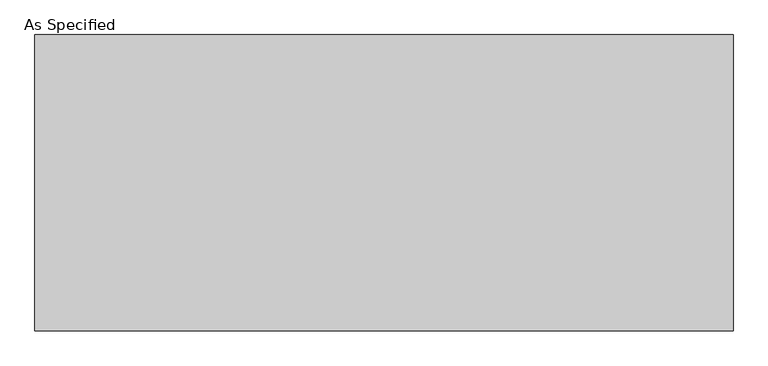
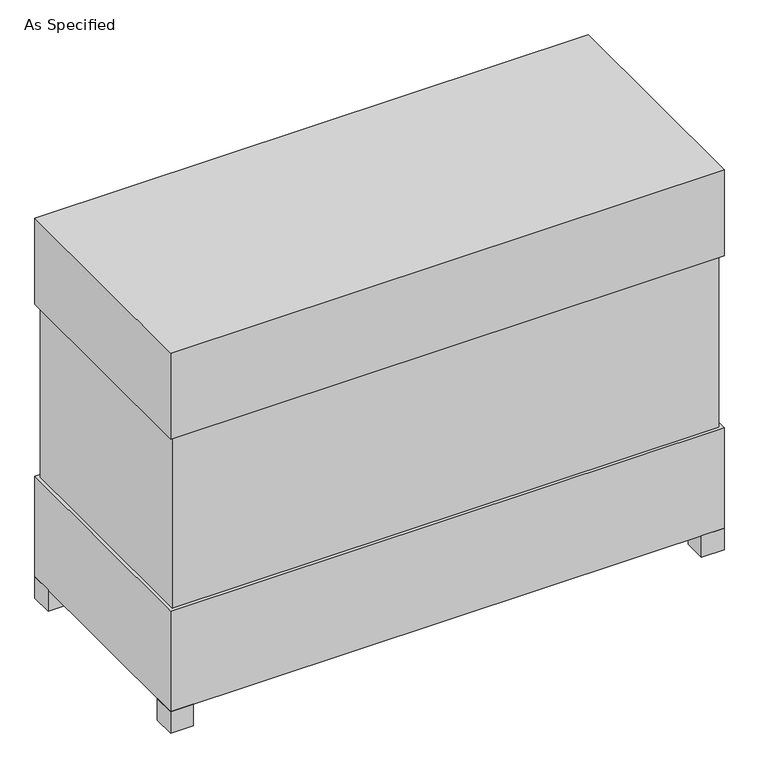
"""IFC4 building model written with IfcOpenShell, lengths in millimetres: proxy geometry, As Specified."""

from ifc_helpers import new_model, si_unit, frame, origin, origin_with_axes, place, context, project, spatial, polyline, outline, extrude, source, transform, mapped, element, save


def as_specified_9cfbd701(model_context):
    return source(origin(), model_context, "Body", "SweptSolid", [
        extrude(outline(polyline([(915.9875, 382.5875), (915.9875, -382.5875), (-915.9875, -382.5875), (-915.9875, 382.5875), (915.9875, 382.5875)])), frame((0.0, 0.0, 431.8), z_axis=(0.0, 0.0, 1.0), x_axis=(1.0, 0.0, 0.0)), (0.0, 0.0, 1.0), 609.6),
        extrude(outline(polyline([(927.1, 393.7), (927.1, -393.7), (-927.1, -393.7), (-927.1, 393.7), (927.1, 393.7)])), frame((0.0, 0.0, 1041.4), z_axis=(0.0, 0.0, 1.0), x_axis=(1.0, 0.0, 0.0)), (0.0, 0.0, 1.0), 304.8),
        extrude(outline(polyline([(812.8, 228.6), (812.8, 152.4), (736.6, 152.4), (736.6, 228.6), (812.8, 228.6)])), frame((0.0, 0.0, 50.8), z_axis=(0.0, 0.0, 1.0), x_axis=(1.0, 0.0, 0.0)), (0.0, 0.0, 1.0), 25.4),
        extrude(outline(polyline([(812.8, -228.6), (736.6, -228.6), (736.6, -152.4), (812.8, -152.4), (812.8, -228.6)])), frame((0.0, 0.0, 50.8), z_axis=(0.0, 0.0, 1.0), x_axis=(1.0, 0.0, 0.0)), (0.0, 0.0, 1.0), 25.4),
        extrude(outline(polyline([(-850.9, 393.7), (-850.9, 317.5), (-927.1, 317.5), (-927.1, 393.7), (-850.9, 393.7)])), origin_with_axes(), (0.0, 0.0, 1.0), 76.2),
        extrude(outline(polyline([(927.1, 393.7), (927.1, 317.5), (850.9, 317.5), (850.9, 393.7), (927.1, 393.7)])), origin_with_axes(), (0.0, 0.0, 1.0), 76.2),
        extrude(outline(polyline([(927.1, -317.5), (927.1, -393.7), (850.9, -393.7), (850.9, -317.5), (927.1, -317.5)])), origin_with_axes(), (0.0, 0.0, 1.0), 76.2),
        extrude(outline(polyline([(-850.9, -317.5), (-850.9, -393.7), (-927.1, -393.7), (-927.1, -317.5), (-850.9, -317.5)])), origin_with_axes(), (0.0, 0.0, 1.0), 76.2),
        extrude(outline(polyline([(927.1, 393.7), (927.1, -393.7), (-927.1, -393.7), (-927.1, 393.7), (927.1, 393.7)])), frame((0.0, 0.0, 76.2), z_axis=(0.0, 0.0, 1.0), x_axis=(1.0, 0.0, 0.0)), (0.0, 0.0, 1.0), 355.6),
    ])


if __name__ == "__main__":
    model = new_model("IFC4")
    model_context = context("Model", 3, world=origin())
    ifc_project = project(units=[si_unit("LENGTHUNIT", "METRE", prefix="MILLI")], contexts=[model_context])
    site = spatial("IfcSite", under=ifc_project)
    building = spatial("IfcBuilding", under=site)
    placement = place(None, origin())
    as_specified_shape = as_specified_9cfbd701(model_context)
    element("IfcBuildingElementProxy", 1, Name="As Specified", ObjectType="As Specified", at=placement, inside=building, context=model_context, shape_type="MappedRepresentation", body=[
        mapped(as_specified_shape, transform((0.0, 0.0, 0.0), x_axis=(1.0, 0.0, 0.0), y_axis=(0.0, 1.0, 0.0), z_axis=(0.0, 0.0, 1.0))),
    ])
    save(model, "model.ifc")
